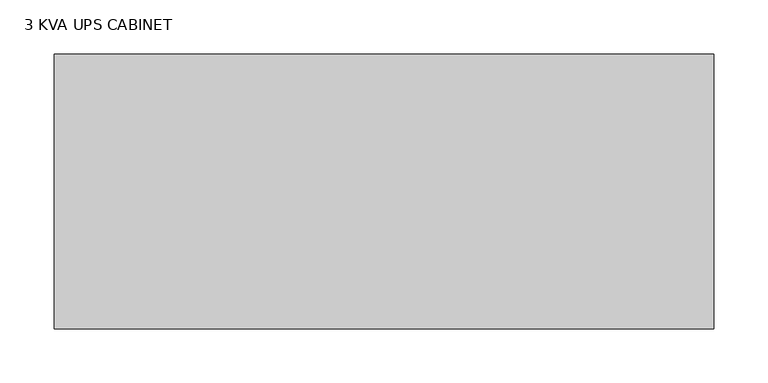
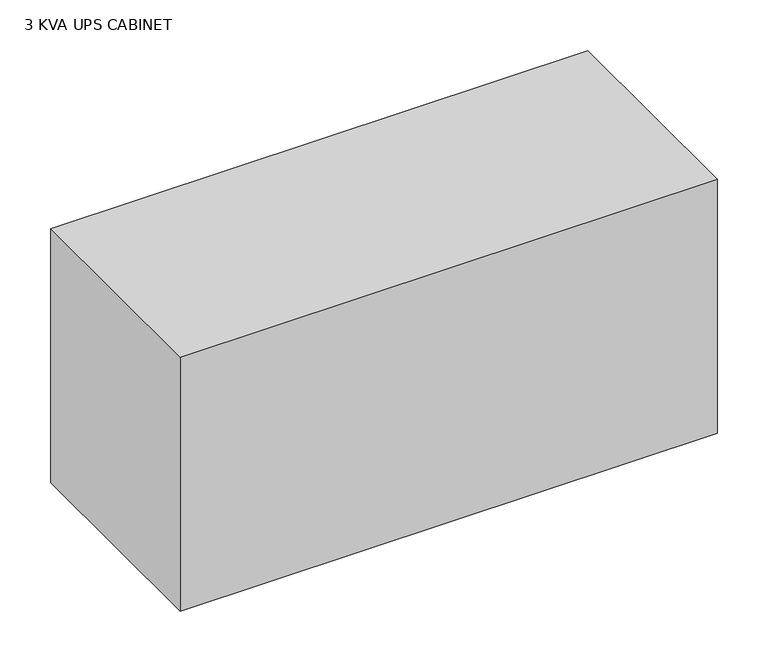
"""IFC4 building model written with IfcOpenShell, lengths in millimetres: proxy geometry, 3 KVA UPS CABINET."""

from ifc_helpers import new_model, si_unit, origin, origin_with_axes, place, context, project, spatial, polyline, outline, extrude, source, transform, mapped, element, save


def proxy_3_kva_ups_cabinet_72af2971(model_context):
    return source(origin(), model_context, "Body", "SweptSolid", [
        extrude(outline(polyline([(-304.8, 127.0), (304.8, 127.0), (304.8, -127.0), (-304.8, -127.0), (-304.8, 127.0)])), origin_with_axes(), (0.0, 0.0, 1.0), 304.8),
    ])


if __name__ == "__main__":
    model = new_model("IFC4")
    model_context = context("Model", 3, world=origin())
    ifc_project = project(units=[si_unit("LENGTHUNIT", "METRE", prefix="MILLI")], contexts=[model_context])
    site = spatial("IfcSite", under=ifc_project)
    building = spatial("IfcBuilding", under=site)
    placement = place(None, origin())
    proxy_3_kva_ups_cabinet_shape = proxy_3_kva_ups_cabinet_72af2971(model_context)
    element("IfcBuildingElementProxy", 1, Name="3 KVA UPS CABINET", ObjectType="3 KVA UPS CABINET", at=placement, inside=building, context=model_context, shape_type="MappedRepresentation", body=[
        mapped(proxy_3_kva_ups_cabinet_shape, transform((0.0, 0.0, 0.0), x_axis=(1.0, 0.0, 0.0), y_axis=(0.0, 1.0, 0.0), z_axis=(0.0, 0.0, 1.0))),
    ])
    save(model, "model.ifc")
